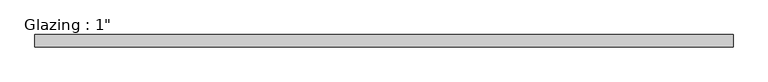
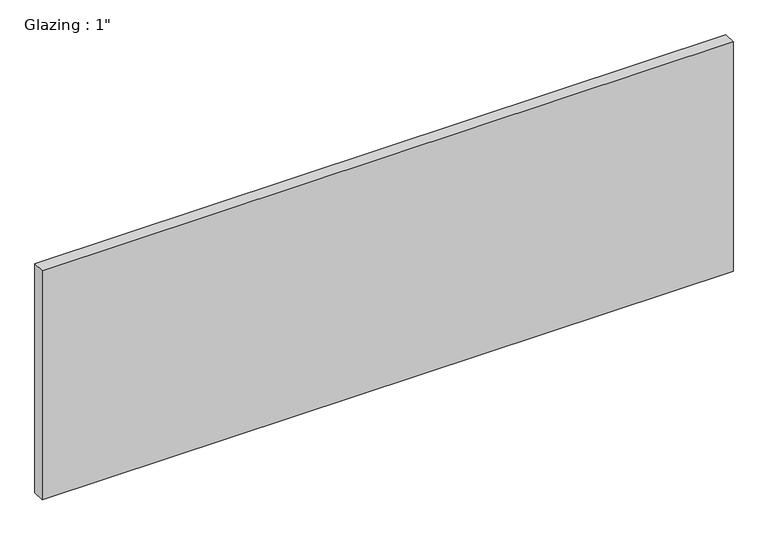
"""IFC4 building model written with IfcOpenShell, lengths in millimetres: plate geometry."""

from ifc_helpers import new_model, si_unit, origin, origin_with_axes, place, context, project, spatial, polyline, outline, extrude, source, transform, mapped, element, save


def plate_99d850a7(model_context):
    return source(origin(), model_context, "Body", "SweptSolid", [
        extrude(outline(polyline([(710.5540109, -12.7), (-710.5540109, -12.7), (-710.5540109, 12.7), (710.5540109, 12.7), (710.5540109, -12.7)])), origin_with_axes(), (0.0, 0.0, 1.0), 497.9851068),
    ])


if __name__ == "__main__":
    model = new_model("IFC4")
    model_context = context("Model", 3, world=origin())
    ifc_project = project(units=[si_unit("LENGTHUNIT", "METRE", prefix="MILLI")], contexts=[model_context])
    site = spatial("IfcSite", under=ifc_project)
    building = spatial("IfcBuilding", under=site)
    placement = place(None, origin())
    plate_shape = plate_99d850a7(model_context)
    element("IfcPlate", 1, ObjectType="Glazing : 1\"", at=placement, inside=building, context=model_context, shape_type="MappedRepresentation", body=[
        mapped(plate_shape, transform((0.0, 0.0, 0.0), x_axis=(1.0, 0.0, 0.0), y_axis=(0.0, 1.0, 0.0), z_axis=(0.0, 0.0, 1.0))),
    ])
    save(model, "model.ifc")
